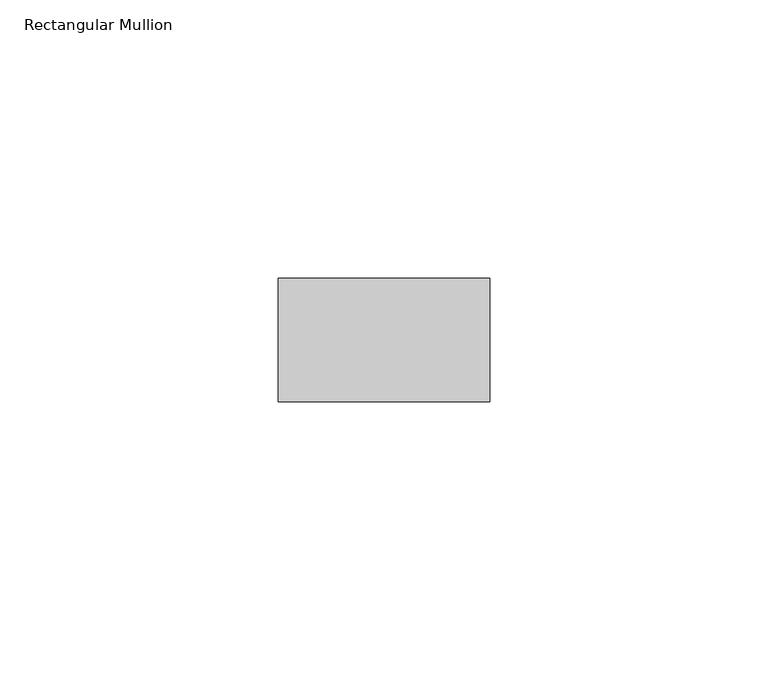
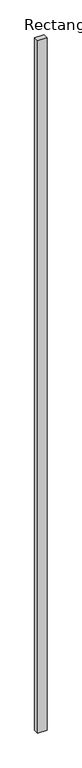
"""IFC4 building model written with IfcOpenShell, lengths in millimetres: member geometry, Rectangular Mullion."""

from ifc_helpers import new_model, si_unit, frame, origin, place, context, project, spatial, polyline, outline, extrude, source, transform, mapped, element, save


def rectangular_mullion_a589f911(model_context):
    return source(origin(), model_context, "Body", "SweptSolid", [
        extrude(outline(polyline([(0.0, -11.1125), (-38.1, -11.1125), (-38.1, 11.1125), (0.0, 11.1125), (0.0, -11.1125)])), frame((0.0, 0.0, -3048.0), z_axis=(0.0, 0.0, 1.0), x_axis=(1.0, 0.0, 0.0)), (0.0, 0.0, 1.0), 3048.0),
    ])


if __name__ == "__main__":
    model = new_model("IFC4")
    model_context = context("Model", 3, world=origin())
    ifc_project = project(units=[si_unit("LENGTHUNIT", "METRE", prefix="MILLI")], contexts=[model_context])
    site = spatial("IfcSite", under=ifc_project)
    building = spatial("IfcBuilding", under=site)
    placement = place(None, origin())
    rectangular_mullion_shape = rectangular_mullion_a589f911(model_context)
    element("IfcMember", 1, ObjectType="Rectangular Mullion", at=placement, inside=building, context=model_context, shape_type="MappedRepresentation", body=[
        mapped(rectangular_mullion_shape, transform((0.0, 0.0, 0.0), x_axis=(1.0, 0.0, 0.0), y_axis=(0.0, 1.0, 0.0), z_axis=(0.0, 0.0, 1.0))),
    ])
    save(model, "model.ifc")
